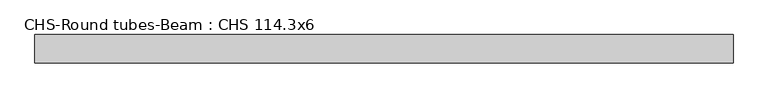
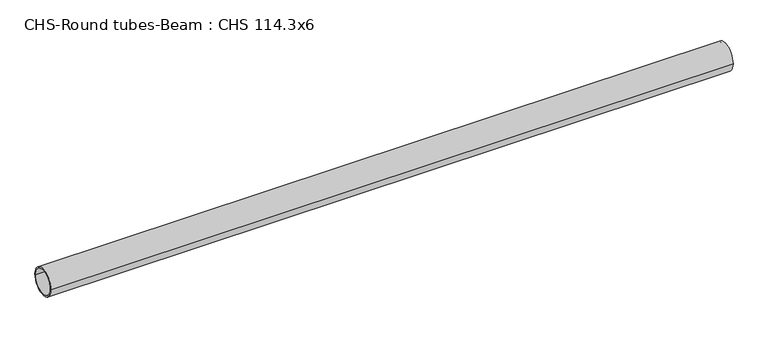
"""IFC4 building model written with IfcOpenShell, lengths in millimetres: beam geometry, CHS-Round tubes-Beam : CHS 114.3x6."""

from ifc_helpers import new_model, si_unit, point, frame, origin, origin_2d, place, context, project, spatial, circle_curve, trimmed, segment, composite_curve, outline, extrude, source, transform, mapped, element, save


def chs_round_tubes_beam_chs_114_3x6_9fc784a7(model_context):
    return source(origin(), model_context, "Body", "SweptSolid", [
        extrude(outline(composite_curve([segment(trimmed(circle_curve(origin_2d(), 57.15), [point((57.15, 0.0))], [point((-57.15, 0.0))], False, "CARTESIAN"), True, "CONTINUOUS"), segment(trimmed(circle_curve(origin_2d(), 57.15), [point((-57.15, 0.0))], [point((57.15, 0.0))], False, "CARTESIAN"), True, "CONTINUOUS")], self_intersect=False), holes=[composite_curve([segment(trimmed(circle_curve(origin_2d(), 51.15), [point((51.15, 0.0))], [point((-51.15, 0.0))], True, "CARTESIAN"), True, "CONTINUOUS"), segment(trimmed(circle_curve(origin_2d(), 51.15), [point((-51.15, 0.0))], [point((51.15, 0.0))], True, "CARTESIAN"), True, "CONTINUOUS")], self_intersect=False)]), frame((-1415.8412513, 0.0, 0.0), z_axis=(1.0, 0.0, 0.0), x_axis=(0.0, 1.0, 0.0)), (0.0, 0.0, 1.0), 2830.2264481),
    ])


if __name__ == "__main__":
    model = new_model("IFC4")
    model_context = context("Model", 3, world=origin())
    ifc_project = project(units=[si_unit("LENGTHUNIT", "METRE", prefix="MILLI")], contexts=[model_context])
    site = spatial("IfcSite", under=ifc_project)
    building = spatial("IfcBuilding", under=site)
    placement = place(None, origin())
    chs_round_tubes_beam_chs_114_3x6_shape = chs_round_tubes_beam_chs_114_3x6_9fc784a7(model_context)
    element("IfcBeam", 1, ObjectType="CHS-Round tubes-Beam : CHS 114.3x6", at=placement, inside=building, context=model_context, shape_type="MappedRepresentation", body=[
        mapped(chs_round_tubes_beam_chs_114_3x6_shape, transform((0.0, 0.0, 0.0), x_axis=(1.0, 0.0, 0.0), y_axis=(0.0, 1.0, 0.0), z_axis=(0.0, 0.0, 1.0))),
    ])
    save(model, "model.ifc")
